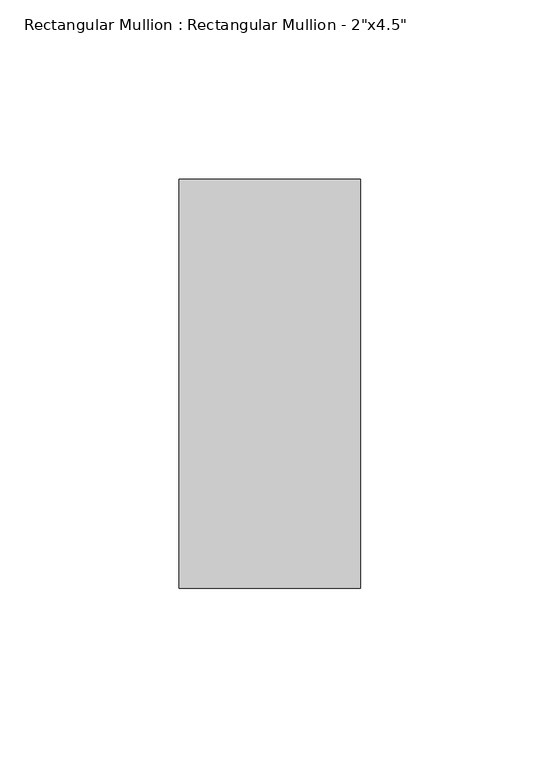
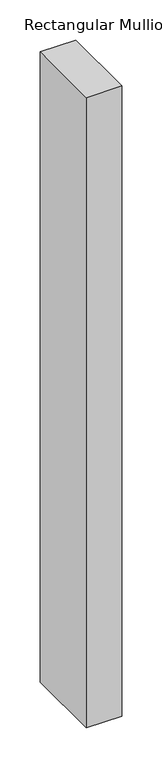
"""IFC4 building model written with IfcOpenShell, lengths in millimetres: member geometry."""

from ifc_helpers import new_model, si_unit, frame, origin, place, context, project, spatial, polyline, outline, extrude, source, transform, mapped, element, save


def member_c0063529(model_context):
    return source(origin(), model_context, "Body", "SweptSolid", [
        extrude(outline(polyline([(25.4, 57.15), (25.4, -57.15), (-25.4, -57.15), (-25.4, 57.15), (25.4, 57.15)])), frame((0.0, 0.0, -956.4076923), z_axis=(0.0, 0.0, 1.0), x_axis=(1.0, 0.0, 0.0)), (0.0, 0.0, 1.0), 956.4076923),
    ])


if __name__ == "__main__":
    model = new_model("IFC4")
    model_context = context("Model", 3, world=origin())
    ifc_project = project(units=[si_unit("LENGTHUNIT", "METRE", prefix="MILLI")], contexts=[model_context])
    site = spatial("IfcSite", under=ifc_project)
    building = spatial("IfcBuilding", under=site)
    placement = place(None, origin())
    member_shape = member_c0063529(model_context)
    element("IfcMember", 1, ObjectType="Rectangular Mullion : Rectangular Mullion - 2\"x4.5\"", at=placement, inside=building, context=model_context, shape_type="MappedRepresentation", body=[
        mapped(member_shape, transform((0.0, 0.0, 0.0), x_axis=(1.0, 0.0, 0.0), y_axis=(0.0, 1.0, 0.0), z_axis=(0.0, 0.0, 1.0))),
    ])
    save(model, "model.ifc")
